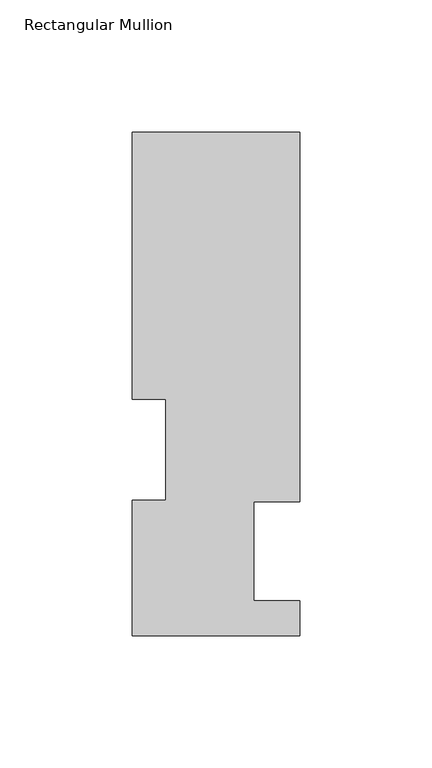
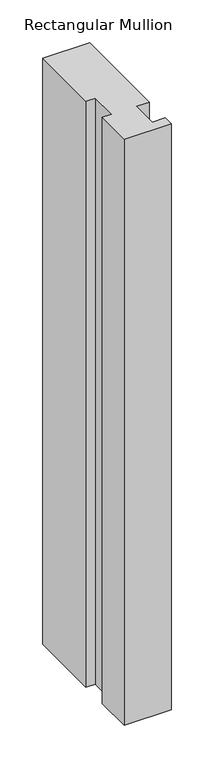
"""IFC4 building model written with IfcOpenShell, lengths in millimetres: member geometry, Rectangular Mullion."""

from ifc_helpers import new_model, si_unit, frame, origin, place, context, project, spatial, polyline, outline, extrude, source, transform, mapped, element, save


def rectangular_mullion_14e2587d(model_context):
    return source(origin(), model_context, "Body", "SweptSolid", [
        extrude(outline(polyline([(-31.75, 190.7881313), (31.7500004, 190.7881313), (31.7500004, 50.8087294), (14.2748004, 50.8087294), (14.2748004, 13.3945312), (31.7500004, 13.3945312), (31.7500004, 0.2119312), (-31.7595098, 0.2119312), (-31.7595098, 51.4945315), (-19.05, 51.4945315), (-19.05, 89.5945313), (-31.75, 89.5945313), (-31.75, 190.7881313)])), frame((0.0, 0.0, -838.2), z_axis=(0.0, 0.0, 1.0), x_axis=(1.0, 0.0, 0.0)), (0.0, 0.0, 1.0), 838.2),
    ])


if __name__ == "__main__":
    model = new_model("IFC4")
    model_context = context("Model", 3, world=origin())
    ifc_project = project(units=[si_unit("LENGTHUNIT", "METRE", prefix="MILLI")], contexts=[model_context])
    site = spatial("IfcSite", under=ifc_project)
    building = spatial("IfcBuilding", under=site)
    placement = place(None, origin())
    rectangular_mullion_shape = rectangular_mullion_14e2587d(model_context)
    element("IfcMember", 1, ObjectType="Rectangular Mullion", at=placement, inside=building, context=model_context, shape_type="MappedRepresentation", body=[
        mapped(rectangular_mullion_shape, transform((0.0, 0.0, 0.0), x_axis=(1.0, 0.0, 0.0), y_axis=(0.0, 1.0, 0.0), z_axis=(0.0, 0.0, 1.0))),
    ])
    save(model, "model.ifc")
